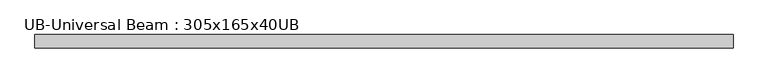
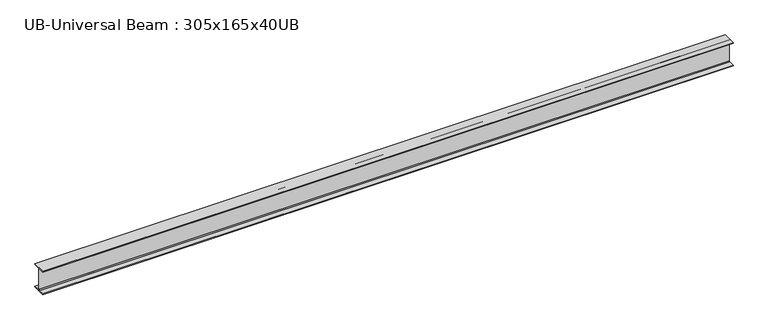
"""IFC4 building model written with IfcOpenShell, lengths in millimetres: beam geometry, UB-Universal Beam : 305x165x40UB."""

from ifc_helpers import new_model, si_unit, point, frame, frame_2d, origin, place, context, project, spatial, polyline, circle_curve, trimmed, segment, composite_curve, outline, extrude, source, transform, mapped, element, save


def ub_universal_beam_305x165x40ub_9235c415(model_context):
    return source(origin(), model_context, "Body", "SweptSolid", [
        extrude(outline(composite_curve([segment(polyline([(82.5, -141.5), (82.5, -151.7), (-82.5, -151.7), (-82.5, -141.5), (-11.9, -141.5)]), True, "CONTINUOUS"), segment(trimmed(circle_curve(frame_2d((-11.9, -132.6)), 8.9), [point((-11.9, -141.5))], [point((-3.0, -132.6))], True, "CARTESIAN"), True, "CONTINUOUS"), segment(polyline([(-3.0, -132.6), (-3.0, 132.6)]), True, "CONTINUOUS"), segment(trimmed(circle_curve(frame_2d((-11.9, 132.6)), 8.9), [point((-3.0, 132.6))], [point((-11.9, 141.5))], True, "CARTESIAN"), True, "CONTINUOUS"), segment(polyline([(-11.9, 141.5), (-82.5, 141.5), (-82.5, 151.7), (82.5, 151.7), (82.5, 141.5), (11.9, 141.5)]), True, "CONTINUOUS"), segment(trimmed(circle_curve(frame_2d((11.9, 132.6)), 8.9), [point((11.9, 141.5))], [point((3.0, 132.6))], True, "CARTESIAN"), True, "CONTINUOUS"), segment(polyline([(3.0, 132.6), (3.0, -132.6)]), True, "CONTINUOUS"), segment(trimmed(circle_curve(frame_2d((11.9, -132.6)), 8.9), [point((3.0, -132.6))], [point((11.9, -141.5))], True, "CARTESIAN"), True, "CONTINUOUS"), segment(polyline([(11.9, -141.5), (82.5, -141.5)]), True, "CONTINUOUS")], self_intersect=False)), frame((-4302.1011936, 0.0, 0.0), z_axis=(1.0, 0.0, 0.0), x_axis=(0.0, 1.0, 0.0)), (0.0, 0.0, 1.0), 8487.0407034),
    ])


if __name__ == "__main__":
    model = new_model("IFC4")
    model_context = context("Model", 3, world=origin())
    ifc_project = project(units=[si_unit("LENGTHUNIT", "METRE", prefix="MILLI")], contexts=[model_context])
    site = spatial("IfcSite", under=ifc_project)
    building = spatial("IfcBuilding", under=site)
    placement = place(None, origin())
    ub_universal_beam_305x165x40ub_shape = ub_universal_beam_305x165x40ub_9235c415(model_context)
    element("IfcBeam", 1, ObjectType="UB-Universal Beam : 305x165x40UB", at=placement, inside=building, context=model_context, shape_type="MappedRepresentation", body=[
        mapped(ub_universal_beam_305x165x40ub_shape, transform((0.0, 0.0, 0.0), x_axis=(1.0, 0.0, 0.0), y_axis=(0.0, 1.0, 0.0), z_axis=(0.0, 0.0, 1.0))),
    ])
    save(model, "model.ifc")
